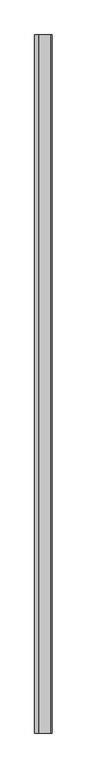
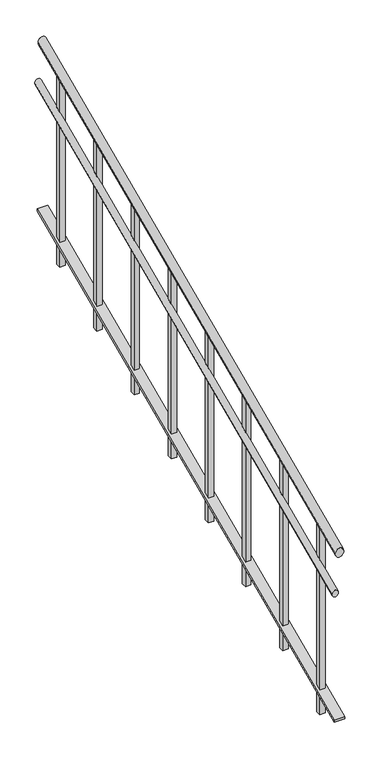
"""IFC4 building model written with IfcOpenShell, lengths in millimetres: railing geometry."""

import ifcopenshell
import ifcopenshell.guid

model = None  # the IFC model being written
_history = None  # IfcOwnerHistory: only IFC2X3 demands one
_inside = {}  # id of a spatial element -> (the spatial element, [elements in it])
_under = {}  # id of a project, library or spatial element -> (it, [spatial elements below it])
_declared = {}  # id of a project -> (the project, [libraries it declares])
_typed = {}  # id of a type object -> (the type object, [elements of that type])
_made_of = {}  # id of a material, layer set ... -> (it, [elements and type objects made of it])


def new_model(schema):
    """Start an empty IFC model of exactly this schema.

    Asked for "IFC4X3", IfcOpenShell would pick the latest addendum, in which some entities
    have other attributes; the version numbers below select the first issue.
    IFC2X3 requires an IfcOwnerHistory on every rooted entity: one is made here for all.
    """
    global model, _history
    if schema == "IFC4X3":
        model = ifcopenshell.file(schema_version=(4, 3, 0, 0))
    else:
        model = ifcopenshell.file(schema=schema)
    _inside.clear()
    _under.clear()
    _declared.clear()
    _typed.clear()
    _made_of.clear()
    _history = None
    if model.schema == "IFC2X3":
        org = make("IfcOrganization", Name="unknown")
        user = make(
            "IfcPersonAndOrganization",
            ThePerson=make("IfcPerson", FamilyName="unknown"),
            TheOrganization=org,
        )
        app = make(
            "IfcApplication",
            ApplicationDeveloper=org,
            Version="unknown",
            ApplicationFullName="unknown",
            ApplicationIdentifier="unknown",
        )
        _history = make(
            "IfcOwnerHistory",
            OwningUser=user,
            OwningApplication=app,
            ChangeAction="ADDED",
            CreationDate=0,
        )
    return model


def make(cls, **values):
    """One entity of the class cls with the attributes given. An attribute that is None is left unset."""
    return model.create_entity(
        cls, **{name: value for name, value in values.items() if value is not None}
    )


def rooted(cls, **values):
    """An entity with a GlobalId (a new one), such as an element, a storey or a relation."""
    return make(cls, GlobalId=ifcopenshell.guid.new(), OwnerHistory=_history, **values)


def si_unit(unit_type, name, prefix=None):
    """IfcSIUnit, for example si_unit("LENGTHUNIT", "METRE", prefix="MILLI")."""
    return make("IfcSIUnit", UnitType=unit_type, Prefix=prefix, Name=name)


def assignment(units):
    """IfcUnitAssignment: the units of a project."""
    return None if units is None else make("IfcUnitAssignment", Units=units)


def point(xyz):
    """IfcCartesianPoint."""
    return None if xyz is None else make("IfcCartesianPoint", Coordinates=xyz)


def direction(xyz):
    """IfcDirection."""
    return None if xyz is None else make("IfcDirection", DirectionRatios=xyz)


def frame(location, z_axis=None, x_axis=None):
    """IfcAxis2Placement3D, a coordinate frame: its origin and axes. An axis left out is left unset."""
    return make(
        "IfcAxis2Placement3D",
        Location=point(location),
        Axis=direction(z_axis),
        RefDirection=direction(x_axis),
    )


def origin():
    """The frame at (0, 0, 0) with its axes left unset."""
    return frame((0.0, 0.0, 0.0))


def place(relative_to, where):
    """IfcLocalPlacement: puts the frame where relative to a parent placement (None: the world)."""
    return make(
        "IfcLocalPlacement", PlacementRelTo=relative_to, RelativePlacement=where
    )


def context(
    kind, dimensions, precision=None, world=None, true_north=None, identifier=None
):
    """IfcGeometricRepresentationContext, for example the 3D "Model" context."""
    return make(
        "IfcGeometricRepresentationContext",
        ContextIdentifier=identifier,
        ContextType=kind,
        CoordinateSpaceDimension=dimensions,
        Precision=precision,
        WorldCoordinateSystem=world,
        TrueNorth=true_north,
    )


def project(units=None, contexts=None):
    """IfcProject with its units and contexts."""
    return rooted(
        "IfcProject",
        Name="project",
        RepresentationContexts=contexts,
        UnitsInContext=assignment(units),
    )


def spatial(cls, under=None, at=None, **own):
    """A site, building, storey or space (cls), placed at a placement, below another one or the project."""
    s = rooted(cls, ObjectPlacement=at, **own)
    if under is not None:
        _under.setdefault(under.id(), (under, []))[1].append(s)
    return s


def polyline(points):
    """IfcPolyline through the points."""
    return make("IfcPolyline", Points=[point(p) for p in points])


def ellipse_curve(where, semi_axis1, semi_axis2):
    """IfcEllipse in the frame where."""
    return make(
        "IfcEllipse", Position=where, SemiAxis1=semi_axis1, SemiAxis2=semi_axis2
    )


def outline(outer, holes=None, kind="AREA"):
    """IfcArbitraryClosedProfileDef: a profile drawn as a closed curve; with holes, ...WithVoids."""
    if holes is None:
        return make("IfcArbitraryClosedProfileDef", ProfileType=kind, OuterCurve=outer)
    return make(
        "IfcArbitraryProfileDefWithVoids",
        ProfileType=kind,
        OuterCurve=outer,
        InnerCurves=holes,
    )


def extrude(swept, where, along, depth):
    """IfcExtrudedAreaSolid: the profile swept, set in the frame where, extruded along a direction by depth."""
    return make(
        "IfcExtrudedAreaSolid",
        SweptArea=swept,
        Position=where,
        ExtrudedDirection=direction(along),
        Depth=depth,
    )


def faces_of(points, faces, orient=None, outer=None):
    """IfcFace entities. A face is a list of loops; a loop is a list of indices into points, from 0.

    orient and outer hold one flag for each loop. By default every Orientation is true, the
    first loop of a face is its IfcFaceOuterBound and the others are IfcFaceBound.
    """
    made = []
    for i, loops in enumerate(faces):
        bounds = []
        for j, loop in enumerate(loops):
            is_outer = j == 0 if outer is None else outer[i][j]
            bounds.append(
                make(
                    "IfcFaceOuterBound" if is_outer else "IfcFaceBound",
                    Bound=make("IfcPolyLoop", Polygon=[points[k] for k in loop]),
                    Orientation=True if orient is None else orient[i][j],
                )
            )
        made.append(make("IfcFace", Bounds=bounds))
    return made


def faceted_brep(points, faces, orient=None, outer=None, voids=None):
    """IfcFacetedBrep: a solid bounded by flat faces; with voids (closed shells), ...WithVoids."""
    shared = [point(p) for p in points]
    hull = make("IfcClosedShell", CfsFaces=faces_of(shared, faces, orient, outer))
    if voids is None:
        return make("IfcFacetedBrep", Outer=hull)
    return make(
        "IfcFacetedBrepWithVoids",
        Outer=hull,
        Voids=[
            make(cls, CfsFaces=faces_of(shared, fs, o, b)) for cls, fs, o, b in voids
        ],
    )


def shape(context_of_items, identifier, shape_type, items):
    """IfcShapeRepresentation: the items that make up one representation, for example the "Body"."""
    return make(
        "IfcShapeRepresentation",
        ContextOfItems=context_of_items,
        RepresentationIdentifier=identifier,
        RepresentationType=shape_type,
        Items=items,
    )


def source(mapping_origin, context_of_items, identifier, shape_type, items):
    """IfcRepresentationMap: a shape defined once, which mapped items show again and again."""
    return make(
        "IfcRepresentationMap",
        MappingOrigin=mapping_origin,
        MappedRepresentation=shape(context_of_items, identifier, shape_type, items),
    )


def transform(
    local_origin,
    x_axis=None,
    y_axis=None,
    z_axis=None,
    scale=None,
    scale2=None,
    scale3=None,
    uniform=True,
):
    """IfcCartesianTransformationOperator3D, or its non-uniform kind. x_axis, y_axis, z_axis: its Axis1, 2, 3."""
    if uniform:
        return make(
            "IfcCartesianTransformationOperator3D",
            Axis1=direction(x_axis),
            Axis2=direction(y_axis),
            LocalOrigin=point(local_origin),
            Scale=scale,
            Axis3=direction(z_axis),
        )
    return make(
        "IfcCartesianTransformationOperator3DnonUniform",
        Axis1=direction(x_axis),
        Axis2=direction(y_axis),
        LocalOrigin=point(local_origin),
        Scale=scale,
        Axis3=direction(z_axis),
        Scale2=scale2,
        Scale3=scale3,
    )


def mapped(mapping_source, mapping_target):
    """IfcMappedItem: shows the shape of a source again, moved by a transform."""
    return make(
        "IfcMappedItem", MappingSource=mapping_source, MappingTarget=mapping_target
    )


def made_of(thing, what):
    """Note that an element or type object is made of a material, layer set ...; save() writes the relation."""
    if what is not None:
        _made_of.setdefault(what.id(), (what, []))[1].append(thing)
    return thing


def element(
    cls,
    number,
    at=None,
    inside=None,
    cuts=None,
    type_object=None,
    material=None,
    context=None,
    identifier="Body",
    shape_type=None,
    held_by="IfcProductDefinitionShape",
    body=None,
    shapes=None,
    **own,
):
    """One element of the class cls, such as IfcWall. Its Tag is "e" and its number.

    at: its placement. inside: the storey or other place that contains it. cuts: it is an
    opening in that element (IfcRelVoidsElement). A single representation is given by context,
    identifier, shape_type and body (its items); several are given by shapes. held_by: the class
    of the entity that holds the representations. save() writes the other relations.
    """
    e = rooted(cls, Tag="e%d" % number, ObjectPlacement=at, **own)
    if body is not None:
        shapes = [shape(context, identifier, shape_type, body)]
    if shapes is not None:
        e.Representation = make(held_by, Representations=shapes)
    if inside is not None:
        _inside.setdefault(inside.id(), (inside, []))[1].append(e)
    if cuts is not None:
        rooted(
            "IfcRelVoidsElement", RelatingBuildingElement=cuts, RelatedOpeningElement=e
        )
    if type_object is not None:
        _typed.setdefault(type_object.id(), (type_object, []))[1].append(e)
    return made_of(e, material)


def aggregate(whole, parts):
    """IfcRelAggregates: a whole, such as a stair, and the parts it consists of."""
    return rooted("IfcRelAggregates", RelatingObject=whole, RelatedObjects=parts)


def save(model, path):
    """Write the relations noted so far, then the file.

    IfcRelAggregates (storeys below a building ...), IfcRelContainedInSpatialStructure (elements
    in a storey), IfcRelDefinesByType, IfcRelAssociatesMaterial and IfcRelDeclares: one each for
    every whole, place, type object, material and project.
    """
    for whole, parts in _under.values():
        aggregate(whole, parts)
    for where, things in _inside.values():
        rooted(
            "IfcRelContainedInSpatialStructure",
            RelatedElements=things,
            RelatingStructure=where,
        )
    for kind, things in _typed.values():
        rooted("IfcRelDefinesByType", RelatedObjects=things, RelatingType=kind)
    for what, things in _made_of.values():
        rooted("IfcRelAssociatesMaterial", RelatedObjects=things, RelatingMaterial=what)
    for by, libraries in _declared.values():
        rooted("IfcRelDeclares", RelatingContext=by, RelatedDefinitions=libraries)
    model.write(path)


def plane_surface(at):
    """IfcPlane: the flat surface through the origin of the frame at, square to its z axis."""
    return make("IfcPlane", Position=at)


def cylinder_surface(at, radius):
    """IfcCylindricalSurface: all points at the distance radius from the z axis of the frame at."""
    return make("IfcCylindricalSurface", Position=at, Radius=radius)


def advanced_brep(points, edges, surfaces, faces):
    """IfcAdvancedBrep: a solid bounded by faces that lie on surfaces and meet in shared edges.

    An edge is (start, end): straight between two places in points (the first is 0);
    or (start, end, curve); or (start, end, curve, False) where it runs against its curve.
    A face is (place in surfaces, loops), or (place, loops, False) where it looks against
    its surface's normal. A loop lists edges by number (the first is 1), with a minus sign
    where the edge is run from its end to its start. The first loop is the outer one.
    """
    corners = [point(p) for p in points]
    vertices = [make("IfcVertexPoint", VertexGeometry=c) for c in corners]
    made = []
    for start, end, *more in edges:
        made.append(
            make(
                "IfcEdgeCurve",
                EdgeStart=vertices[start],
                EdgeEnd=vertices[end],
                EdgeGeometry=more[0] if more else make("IfcPolyline", Points=[corners[start], corners[end]]),
                SameSense=more[1] if len(more) > 1 else True,
            )
        )
    hull = []
    for where, loops, *sense in faces:
        bounds = []
        for j, loop in enumerate(loops):
            ring = [make("IfcOrientedEdge", EdgeElement=made[abs(k) - 1], Orientation=k > 0) for k in loop]
            bounds.append(
                make(
                    "IfcFaceOuterBound" if j == 0 else "IfcFaceBound",
                    Bound=make("IfcEdgeLoop", EdgeList=ring),
                    Orientation=True,
                )
            )
        hull.append(make("IfcAdvancedFace", Bounds=bounds, FaceSurface=surfaces[where], SameSense=sense[0] if sense else True))
    return make("IfcAdvancedBrep", Outer=make("IfcClosedShell", CfsFaces=hull))


def railing_fb66ffb8(model_context):
    return source(origin(), model_context, "Body", "SolidModel", [
        advanced_brep(
        [(-5144.5887159, -20906.8920513, -188.5530173), (-5184.5887159, -20906.8920513, -188.5530173), (-5144.5887159, -18506.8920513, 878.1136493), (-5184.5887159, -18506.8920513, 878.1136493)],
        [
            (0, 1, ellipse_curve(frame((-5164.5887159, -20906.8920513, -188.5530173), z_axis=(0.0, -1.0, 0.0), x_axis=(0.0, 0.0, -0.9999999999999999)), 21.8863507, 20.0)),
            (1, 0, ellipse_curve(frame((-5164.5887159, -20906.8920513, -188.5530173), z_axis=(0.0, -1.0, 0.0), x_axis=(0.0, 0.0, -0.9999999999999999)), 21.8863507, 20.0)),
            (2, 3, ellipse_curve(frame((-5164.5887159, -18506.8920513, 878.1136493), z_axis=(0.0, 1.0, 0.0), x_axis=(0.0, 0.0, -0.9999999999999999)), 21.8863507, 20.0)),
            (3, 2, ellipse_curve(frame((-5164.5887159, -18506.8920513, 878.1136493), z_axis=(0.0, 1.0, 0.0), x_axis=(0.0, 0.0, -0.9999999999999999)), 21.8863507, 20.0)),
            (0, 2),
            (3, 1),
        ],
        [
            plane_surface(frame((-5164.5887159, -20906.8920513, -166.6666667), z_axis=(0.0, -1.0, 0.0), x_axis=(0.0, 0.0, 1.0))),
            plane_surface(frame((-5164.5887159, -18506.8920513, 900.0), z_axis=(0.0, 1.0, 0.0), x_axis=(0.0, 0.0, 1.0))),
            cylinder_surface(frame((-5164.5887159, -20898.769282, -184.9428976), z_axis=(0.0, -0.9138115486202569, -0.40613846605344806), x_axis=(-1.0, 0.0, 0.0)), 20.0),
        ],
        [
            (0, [[1, 2]]),
            (1, [[3, 4]]),
            (2, [[-1, 5, -4, 6]]),
            (2, [[-2, -6, -3, -5]]),
        ],
    ),
        advanced_brep(
        [(-5169.5887159, -20906.8920513, -383.0814297), (-5199.5887159, -20906.8920513, -383.0814297), (-5169.5887159, -18506.8920513, 683.585237), (-5199.5887159, -18506.8920513, 683.585237)],
        [
            (0, 1, ellipse_curve(frame((-5184.5887159, -20906.8920513, -383.0814297), z_axis=(0.0, -1.0, 0.0), x_axis=(0.0, 0.0, -0.9999999999999999)), 16.414763, 15.0)),
            (1, 0, ellipse_curve(frame((-5184.5887159, -20906.8920513, -383.0814297), z_axis=(0.0, -1.0, 0.0), x_axis=(0.0, 0.0, -0.9999999999999999)), 16.414763, 15.0)),
            (2, 3, ellipse_curve(frame((-5184.5887159, -18506.8920513, 683.585237), z_axis=(0.0, 1.0, 0.0), x_axis=(0.0, 0.0, -0.9999999999999999)), 16.414763, 15.0)),
            (3, 2, ellipse_curve(frame((-5184.5887159, -18506.8920513, 683.585237), z_axis=(0.0, 1.0, 0.0), x_axis=(0.0, 0.0, -0.9999999999999999)), 16.414763, 15.0)),
            (0, 2),
            (3, 1),
        ],
        [
            plane_surface(frame((-5184.5887159, -20906.8920513, -366.6666667), z_axis=(0.0, -1.0, 0.0), x_axis=(0.0, 0.0, 1.0))),
            plane_surface(frame((-5184.5887159, -18506.8920513, 700.0), z_axis=(0.0, 1.0, 0.0), x_axis=(0.0, 0.0, 1.0))),
            cylinder_surface(frame((-5184.5887159, -20900.7999744, -380.3738399), z_axis=(0.0, -0.9138115486202569, -0.40613846605344806), x_axis=(-1.0, 0.0, 0.0)), 15.0),
        ],
        [
            (0, [[1, 2]]),
            (1, [[3, 4]]),
            (2, [[-1, 5, -4, 6]]),
            (2, [[-2, -6, -3, -5]]),
        ],
    ),
        faceted_brep([(-5189.5887159, -20906.8920513, -1006.6666667), (-5189.5887159, -20906.8920513, -1017.609842), (-5139.5887159, -20906.8920513, -1017.609842), (-5139.5887159, -20906.8920513, -1006.6666667), (-5189.5887159, -18506.8920513, 60.0), (-5139.5887159, -18506.8920513, 60.0), (-5139.5887159, -18506.8920513, 49.0568247), (-5189.5887159, -18506.8920513, 49.0568247)], [[[0, 1, 2, 3]], [[4, 5, 6, 7]], [[1, 0, 4, 7]], [[2, 1, 7, 6]], [[3, 2, 6, 5]], [[0, 3, 5, 4]]]),
        extrude(outline(polyline([(-18669.3920513, 784.0050764), (-18644.3920513, 795.1161875), (-18644.3920513, -133.3333333), (-18669.3920513, -133.3333333), (-18669.3920513, 784.0050764)])), frame((-5177.0887159, 0.0, 0.0), z_axis=(1.0, 0.0, 0.0), x_axis=(0.0, 1.0, 0.0)), (0.0, 0.0, 1.0), 25.0),
        extrude(outline(polyline([(-18969.3920513, 650.6717431), (-18944.3920513, 661.7828542), (-18944.3920513, -266.6666667), (-18969.3920513, -266.6666667), (-18969.3920513, 650.6717431)])), frame((-5177.0887159, 0.0, 0.0), z_axis=(1.0, 0.0, 0.0), x_axis=(0.0, 1.0, 0.0)), (0.0, 0.0, 1.0), 25.0),
        extrude(outline(polyline([(-19269.3920513, 517.3384098), (-19244.3920513, 528.4495209), (-19244.3920513, -400.0), (-19269.3920513, -400.0), (-19269.3920513, 517.3384098)])), frame((-5177.0887159, 0.0, 0.0), z_axis=(1.0, 0.0, 0.0), x_axis=(0.0, 1.0, 0.0)), (0.0, 0.0, 1.0), 25.0),
        extrude(outline(polyline([(-19569.3920513, 384.0050764), (-19544.3920513, 395.1161875), (-19544.3920513, -533.3333333), (-19569.3920513, -533.3333333), (-19569.3920513, 384.0050764)])), frame((-5177.0887159, 0.0, 0.0), z_axis=(1.0, 0.0, 0.0), x_axis=(0.0, 1.0, 0.0)), (0.0, 0.0, 1.0), 25.0),
        extrude(outline(polyline([(-19869.3920513, 250.6717431), (-19844.3920513, 261.7828542), (-19844.3920513, -666.6666667), (-19869.3920513, -666.6666667), (-19869.3920513, 250.6717431)])), frame((-5177.0887159, 0.0, 0.0), z_axis=(1.0, 0.0, 0.0), x_axis=(0.0, 1.0, 0.0)), (0.0, 0.0, 1.0), 25.0),
        extrude(outline(polyline([(-20169.3920513, 117.3384098), (-20144.3920513, 128.4495209), (-20144.3920513, -800.0), (-20169.3920513, -800.0), (-20169.3920513, 117.3384098)])), frame((-5177.0887159, 0.0, 0.0), z_axis=(1.0, 0.0, 0.0), x_axis=(0.0, 1.0, 0.0)), (0.0, 0.0, 1.0), 25.0),
        extrude(outline(polyline([(-20469.3920513, -15.9949236), (-20444.3920513, -4.8838125), (-20444.3920513, -933.3333333), (-20469.3920513, -933.3333333), (-20469.3920513, -15.9949236)])), frame((-5177.0887159, 0.0, 0.0), z_axis=(1.0, 0.0, 0.0), x_axis=(0.0, 1.0, 0.0)), (0.0, 0.0, 1.0), 25.0),
        extrude(outline(polyline([(-20769.3920513, -149.3282569), (-20744.3920513, -138.2171458), (-20744.3920513, -1066.6666667), (-20769.3920513, -1066.6666667), (-20769.3920513, -149.3282569)])), frame((-5177.0887159, 0.0, 0.0), z_axis=(1.0, 0.0, 0.0), x_axis=(0.0, 1.0, 0.0)), (0.0, 0.0, 1.0), 25.0),
    ])


if __name__ == "__main__":
    model = new_model("IFC4")
    model_context = context("Model", 3, world=origin())
    ifc_project = project(units=[si_unit("LENGTHUNIT", "METRE", prefix="MILLI")], contexts=[model_context])
    site = spatial("IfcSite", under=ifc_project)
    building = spatial("IfcBuilding", under=site)
    placement = place(None, origin())
    railing_shape = railing_fb66ffb8(model_context)
    element("IfcRailing", 1, at=placement, inside=building, context=model_context, shape_type="MappedRepresentation", body=[
        mapped(railing_shape, transform((0.0, 0.0, 0.0), x_axis=(1.0, 0.0, 0.0), y_axis=(0.0, 1.0, 0.0), z_axis=(0.0, 0.0, 1.0))),
    ])
    save(model, "model.ifc")
